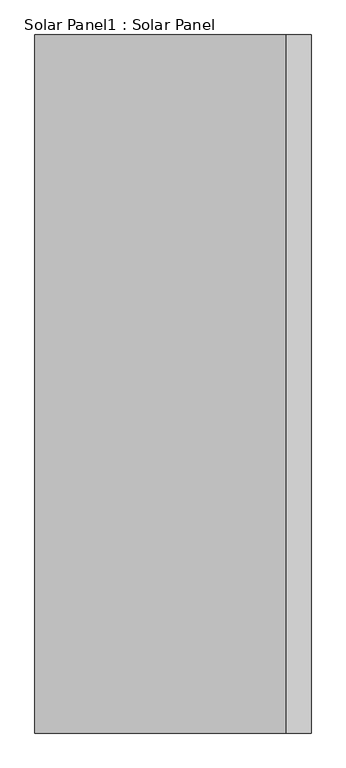
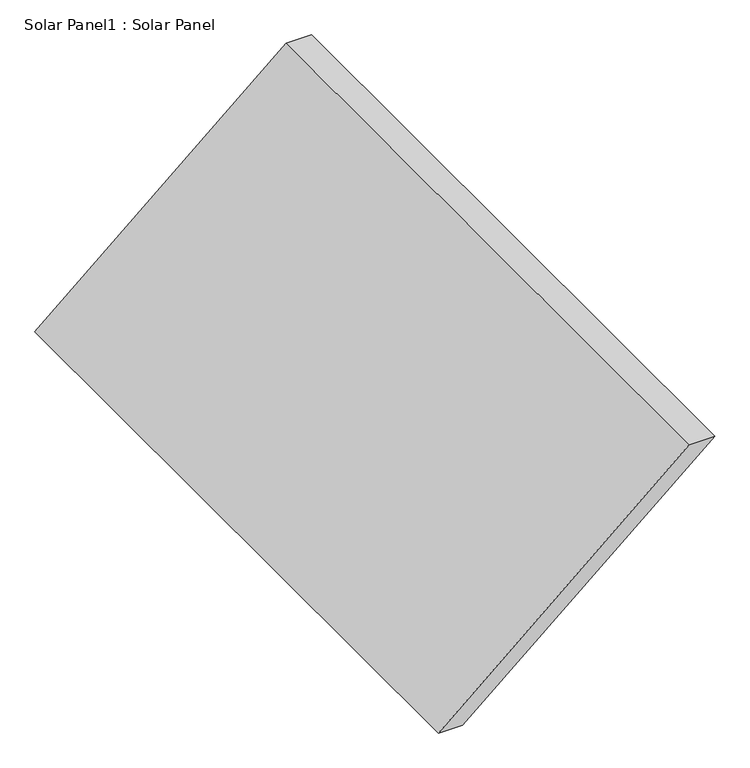
"""IFC4 building model written with IfcOpenShell, lengths in millimetres: air terminal geometry, Solar Panel1 : Solar Panel."""

from ifc_helpers import new_model, si_unit, frame, origin, place, context, project, spatial, polyline, outline, extrude, source, transform, mapped, element, save


def solar_panel1_solar_panel_e4eb8543(model_context):
    return source(origin(), model_context, "Body", "SweptSolid", [
        extrude(outline(polyline([(5700.0, 21403.5505713), (5700.0, 21503.5505713), (6600.0, 22550.4670034), (6600.0, 22444.5495196), (5700.0, 21403.5505713)])), frame((0.0, 11325.1236553, 0.0), z_axis=(0.0, 1.0, 0.0), x_axis=(0.0, 0.0, 1.0)), (0.0, 0.0, 1.0), 2900.0),
    ])


if __name__ == "__main__":
    model = new_model("IFC4")
    model_context = context("Model", 3, world=origin())
    ifc_project = project(units=[si_unit("LENGTHUNIT", "METRE", prefix="MILLI")], contexts=[model_context])
    site = spatial("IfcSite", under=ifc_project)
    building = spatial("IfcBuilding", under=site)
    placement = place(None, origin())
    solar_panel1_solar_panel_shape = solar_panel1_solar_panel_e4eb8543(model_context)
    element("IfcAirTerminal", 1, ObjectType="Solar Panel1 : Solar Panel", at=placement, inside=building, context=model_context, shape_type="MappedRepresentation", body=[
        mapped(solar_panel1_solar_panel_shape, transform((0.0, 0.0, 0.0), x_axis=(1.0, 0.0, 0.0), y_axis=(0.0, 1.0, 0.0), z_axis=(0.0, 0.0, 1.0))),
    ])
    save(model, "model.ifc")
